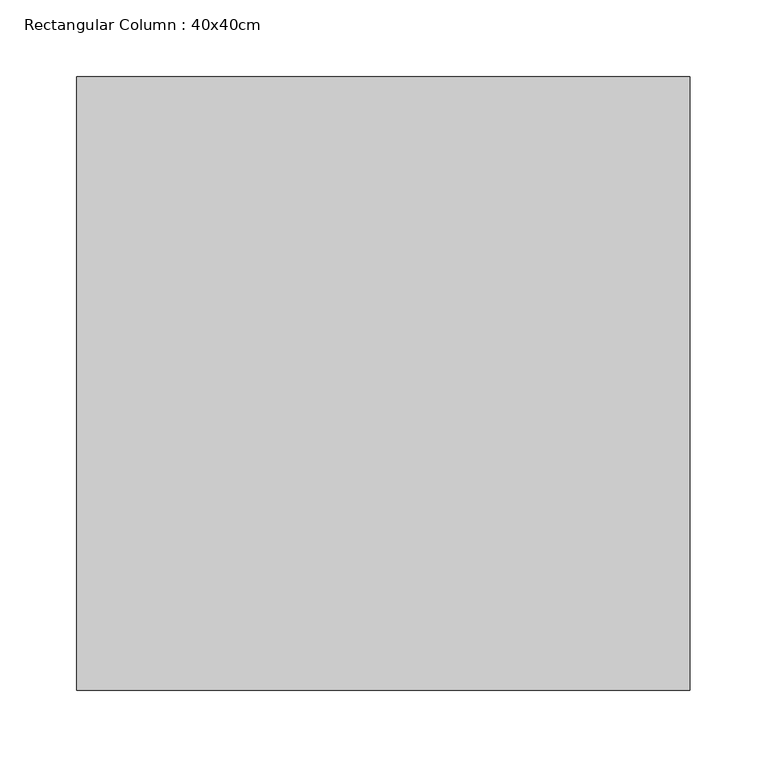
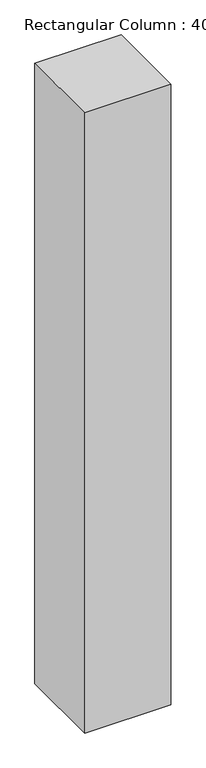
"""IFC4 building model written with IfcOpenShell, lengths in millimetres: column geometry, Rectangular Column : 40x40cm."""

from ifc_helpers import new_model, si_unit, frame, origin, place, context, project, spatial, polyline, outline, extrude, source, transform, mapped, element, save


def rectangular_column_40x40cm_228ed68d(model_context):
    return source(origin(), model_context, "Body", "SweptSolid", [
        extrude(outline(polyline([(200.0, 200.0), (200.0, -200.0), (-200.0, -200.0), (-200.0, 200.0), (200.0, 200.0)])), frame((0.0, 0.0, 87000.0), z_axis=(0.0, 0.0, 1.0), x_axis=(1.0, 0.0, 0.0)), (0.0, 0.0, 1.0), 3040.0),
    ])


if __name__ == "__main__":
    model = new_model("IFC4")
    model_context = context("Model", 3, world=origin())
    ifc_project = project(units=[si_unit("LENGTHUNIT", "METRE", prefix="MILLI")], contexts=[model_context])
    site = spatial("IfcSite", under=ifc_project)
    building = spatial("IfcBuilding", under=site)
    placement = place(None, origin())
    rectangular_column_40x40cm_shape = rectangular_column_40x40cm_228ed68d(model_context)
    element("IfcColumn", 1, ObjectType="Rectangular Column : 40x40cm", at=placement, inside=building, context=model_context, shape_type="MappedRepresentation", body=[
        mapped(rectangular_column_40x40cm_shape, transform((0.0, 0.0, 0.0), x_axis=(1.0, 0.0, 0.0), y_axis=(0.0, 1.0, 0.0), z_axis=(0.0, 0.0, 1.0))),
    ])
    save(model, "model.ifc")
